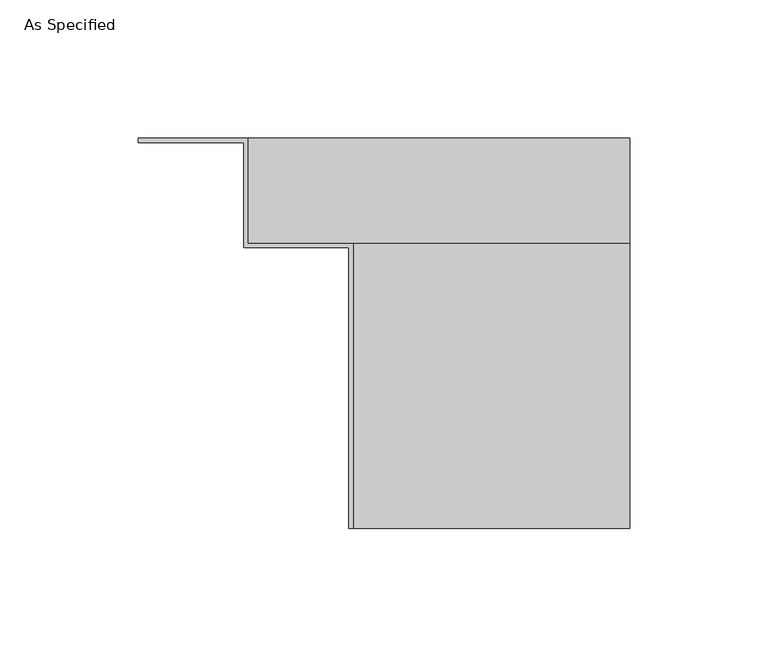
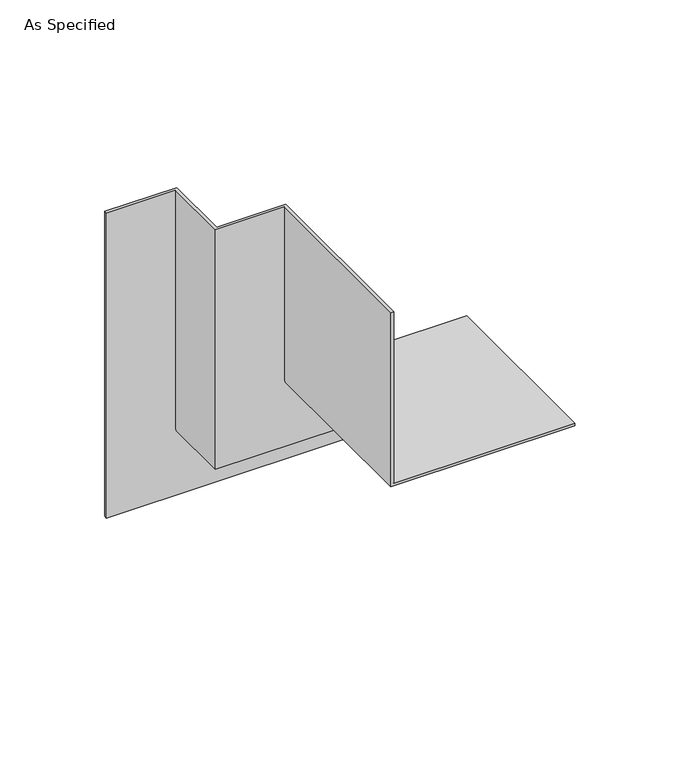
"""IFC4 building model written with IfcOpenShell, lengths in millimetres: proxy geometry, As Specified."""

from ifc_helpers import new_model, si_unit, origin, place, context, project, spatial, faceted_brep, source, transform, mapped, element, save


def as_specified_fcbcb23d(model_context):
    return source(origin(), model_context, "Body", "Brep", [
        faceted_brep([(139.7, 0.0, 0.0), (139.7, 1.5875, 0.0), (139.7, 1.5875, 39.6875), (139.7, -36.5125, 39.6875), (139.7, -36.5125, 77.7875), (139.7, -139.7, 77.7875), (139.7, -139.7, 76.2), (139.7, -38.1, 76.2), (139.7, -38.1, 38.1), (139.7, 0.0, 38.1), (-38.1, 0.0, 0.0), (-38.1, 1.5875, 0.0), (-38.1, 1.5875, 177.8), (1.5875, 1.5875, 177.8), (1.5875, 1.5875, 39.6875), (1.5875, -36.5125, 39.6875), (1.5875, -36.5125, 177.8), (39.6875, -36.5125, 177.8), (39.6875, -36.5125, 77.7875), (39.6875, -139.7, 77.7875), (38.1, -38.1, 76.2), (38.1, -38.1, 177.8), (0.0, -38.1, 177.8), (0.0, -38.1, 38.1), (0.0, 0.0, 38.1), (0.0, 0.0, 177.8), (-38.1, 0.0, 177.8), (38.1, -139.7, 177.8), (39.6875, -139.7, 177.8), (38.1, -139.7, 76.2)], [[[0, 1, 2, 3, 4, 5, 6, 7, 8, 9]], [[1, 0, 10, 11]], [[2, 1, 11, 12, 13, 14]], [[3, 2, 14, 15]], [[4, 3, 15, 16, 17, 18]], [[5, 4, 18, 19]], [[8, 7, 20, 21, 22, 23]], [[9, 8, 23, 24]], [[0, 9, 24, 25, 26, 10]], [[26, 25, 22, 21, 27, 28, 17, 16, 13, 12]], [[11, 10, 26, 12]], [[15, 14, 13, 16]], [[19, 18, 17, 28]], [[24, 23, 22, 25]], [[6, 5, 19, 28, 27, 29]], [[7, 6, 29, 20]], [[20, 29, 27, 21]]]),
    ])


if __name__ == "__main__":
    model = new_model("IFC4")
    model_context = context("Model", 3, world=origin())
    ifc_project = project(units=[si_unit("LENGTHUNIT", "METRE", prefix="MILLI")], contexts=[model_context])
    site = spatial("IfcSite", under=ifc_project)
    building = spatial("IfcBuilding", under=site)
    placement = place(None, origin())
    as_specified_shape = as_specified_fcbcb23d(model_context)
    element("IfcBuildingElementProxy", 1, Name="As Specified", ObjectType="As Specified", at=placement, inside=building, context=model_context, shape_type="MappedRepresentation", body=[
        mapped(as_specified_shape, transform((0.0, 0.0, 0.0), x_axis=(1.0, 0.0, 0.0), y_axis=(0.0, 1.0, 0.0), z_axis=(0.0, 0.0, 1.0))),
    ])
    save(model, "model.ifc")
